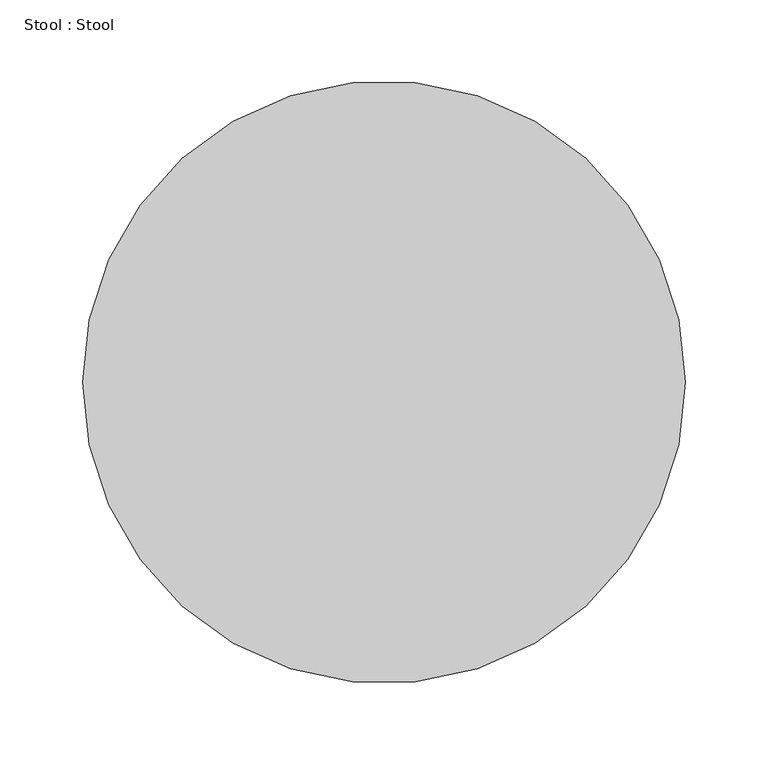
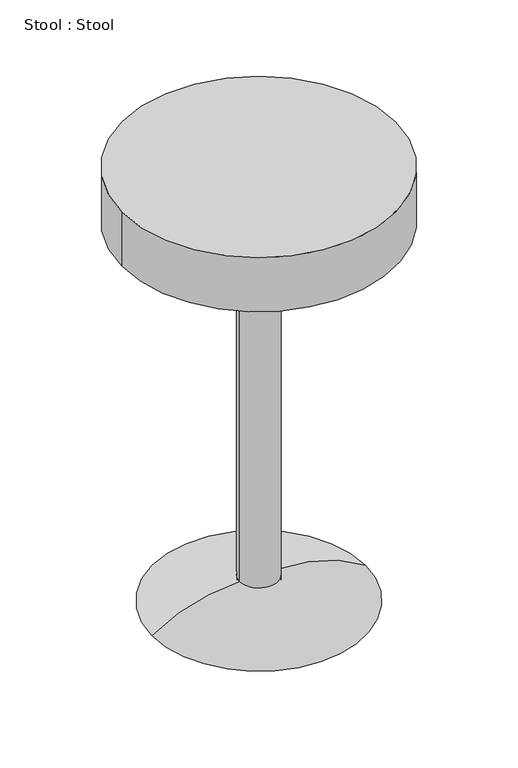
"""IFC4 building model written with IfcOpenShell, lengths in millimetres: proxy geometry, Stool : Stool."""

from ifc_helpers import new_model, si_unit, point, frame, origin, origin_with_axes, origin_2d, place, context, project, spatial, polyline, circle_curve, ellipse_curve, trimmed, segment, composite_curve, outline, extrude, source, transform, mapped, element, save
from ifc_brep_helpers import plane_surface, revolved_surface, advanced_brep


def stool_stool_e4390bad(model_context):
    return source(origin(), model_context, "Body", "SolidModel", [
        advanced_brep(
        [(25.4466483, 0.0, 0.0), (-25.4466483, 0.0, 0.0), (-25.4466483, 0.0, 35.533517), (25.4466483, 0.0, 35.533517), (-141.6715454, 0.0, 0.0), (141.6715454, 0.0, 0.0)],
        [
            (0, 1, circle_curve(frame((0.0, 0.0, 0.0), z_axis=(0.0, 0.0, -1.0), x_axis=(-1.0, 0.0, 0.0)), 25.4466483)),
            (1, 2),
            (2, 3, circle_curve(frame((0.0, 0.0, 35.533517), z_axis=(0.0, 0.0, 1.0), x_axis=(-1.0, 0.0, 0.0)), 25.4466483)),
            (3, 0),
            (2, 4, circle_curve(frame((-27.5960377, 0.0, -165.28016), z_axis=(0.0, -1.0, 0.0), x_axis=(1.0, 0.0, 0.0)), 200.8251796)),
            (4, 5, circle_curve(frame((0.0, 0.0, 0.0), z_axis=(0.0, 0.0, 1.0), x_axis=(-1.0, 0.0, 0.0)), 141.6715454)),
            (5, 3, circle_curve(frame((27.5960377, 0.0, -165.28016), z_axis=(0.0, -1.0, 0.0), x_axis=(-1.0, 0.0, 0.0)), 200.8251796)),
            (1, 0, circle_curve(frame((0.0, 0.0, 0.0), z_axis=(0.0, 0.0, -1.0), x_axis=(1.0, 0.0, 0.0)), 25.4466483)),
            (3, 2, circle_curve(frame((0.0, 0.0, 35.533517), z_axis=(0.0, 0.0, 1.0), x_axis=(1.0, 0.0, 0.0)), 25.4466483)),
            (4, 5, circle_curve(frame((0.0, 0.0, 0.0), z_axis=(0.0, 0.0, -1.0), x_axis=(1.0, 0.0, 0.0)), 141.6715454)),
        ],
        [
            revolved_surface(polyline([(-25.4466483, 0.0, 35.533517), (-25.4466483, 0.0, 0.0)]), (0.0, 0.0, 0.0), (0.0, 0.0, 1.0)),
            revolved_surface(trimmed(ellipse_curve(frame((-27.5960377, 0.0, -165.28016), z_axis=(0.0, 1.0, 0.0), x_axis=(1.0, 0.0, 0.0)), 200.8251796, 200.8251796), [point((-141.6715454, 0.0, 0.0))], [point((-25.4466483, 0.0, 35.533517))], True, "CARTESIAN"), (0.0, 0.0, 0.0), (0.0, 0.0, 1.0)),
            revolved_surface(polyline([(25.4466483, 0.0, 35.533517), (25.4466483, 0.0, 0.0)]), (0.0, 0.0, 0.0), (0.0, 0.0, 1.0)),
            plane_surface(frame((0.0, 0.0, 0.0), z_axis=(0.0, 0.0, -1.0), x_axis=(1.0, 0.0, 0.0))),
            revolved_surface(trimmed(ellipse_curve(frame((27.5960377, 0.0, -165.28016), z_axis=(0.0, -1.0, 0.0), x_axis=(-1.0, 0.0, 0.0)), 200.8251796, 200.8251796), [point((141.6715454, 0.0, 0.0))], [point((25.4466483, 0.0, 35.533517))], True, "CARTESIAN"), (0.0, 0.0, 0.0), (0.0, 0.0, 1.0)),
        ],
        [
            (0, [[1, 2, 3, 4]]),
            (1, [[-3, 5, 6, 7]]),
            (2, [[8, -4, 9, -2]]),
            (3, [[10, -6], [-8, -1]]),
            (4, [[-9, -7, -10, -5]]),
        ],
    ),
        extrude(outline(composite_curve([segment(trimmed(circle_curve(origin_2d(), 25.4466483), [point((-25.4466483, 0.0))], [point((25.4466483, 0.0))], False, "CARTESIAN"), True, "CONTINUOUS"), segment(trimmed(circle_curve(origin_2d(), 25.4466483), [point((25.4466483, 0.0))], [point((-25.4466483, 0.0))], False, "CARTESIAN"), True, "CONTINUOUS")], self_intersect=False)), origin_with_axes(), (0.0, 0.0, 1.0), 533.4),
        extrude(outline(composite_curve([segment(trimmed(circle_curve(origin_2d(), 182.0019338), [point((-182.0019338, 0.0))], [point((182.0019338, 0.0))], False, "CARTESIAN"), True, "CONTINUOUS"), segment(trimmed(circle_curve(origin_2d(), 182.0019338), [point((182.0019338, 0.0))], [point((-182.0019338, 0.0))], False, "CARTESIAN"), True, "CONTINUOUS")], self_intersect=False)), frame((0.0, 0.0, 533.4), z_axis=(0.0, 0.0, 1.0), x_axis=(1.0, 0.0, 0.0)), (0.0, 0.0, 1.0), 76.2),
    ])


if __name__ == "__main__":
    model = new_model("IFC4")
    model_context = context("Model", 3, world=origin())
    ifc_project = project(units=[si_unit("LENGTHUNIT", "METRE", prefix="MILLI")], contexts=[model_context])
    site = spatial("IfcSite", under=ifc_project)
    building = spatial("IfcBuilding", under=site)
    placement = place(None, origin())
    stool_stool_shape = stool_stool_e4390bad(model_context)
    element("IfcBuildingElementProxy", 1, Name="Stool : Stool", ObjectType="Stool : Stool", at=placement, inside=building, context=model_context, shape_type="MappedRepresentation", body=[
        mapped(stool_stool_shape, transform((0.0, 0.0, 0.0), x_axis=(1.0, 0.0, 0.0), y_axis=(0.0, 1.0, 0.0), z_axis=(0.0, 0.0, 1.0))),
    ])
    save(model, "model.ifc")
